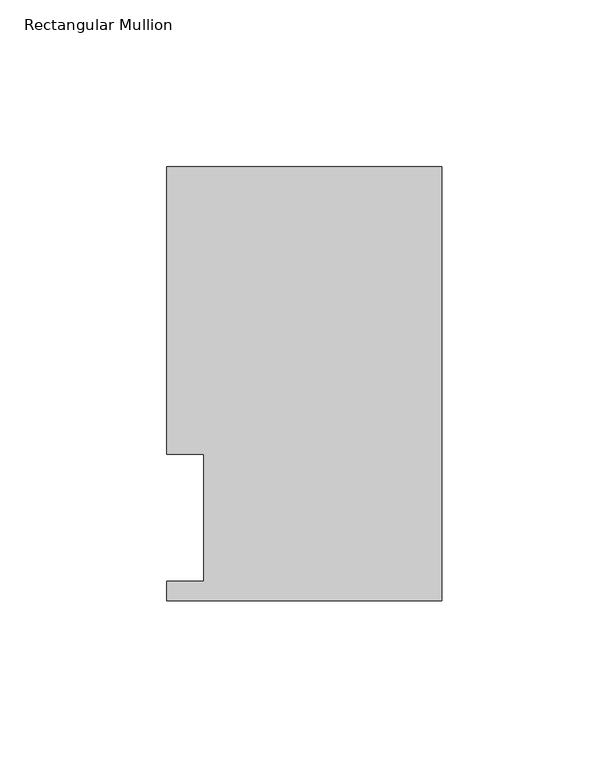
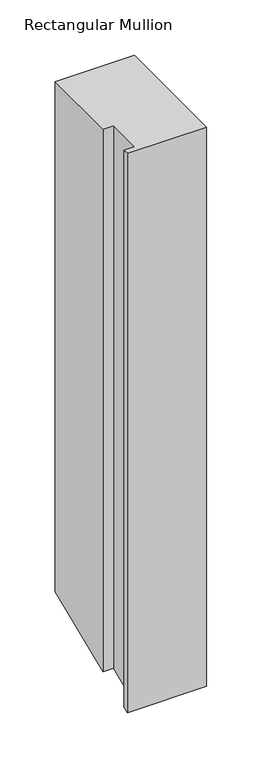
"""IFC4 building model written with IfcOpenShell, lengths in millimetres: member geometry, Rectangular Mullion."""

from ifc_helpers import new_model, si_unit, origin, place, context, project, spatial, faceted_brep, source, transform, mapped, element, save


def rectangular_mullion_ea5151d0(model_context):
    return source(origin(), model_context, "Body", "Brep", [
        faceted_brep([(-82.5504364, 130.6321003, 0.0), (-82.5504364, 44.45, 0.0), (-71.4454383, 44.45, 0.0), (-71.4454383, 6.3499003, 0.0), (-82.55, 6.3499003, 0.0), (-82.55, 0.4063003, 0.0), (0.0, 0.4063003, 0.0), (0.0, 130.6321003, 0.0), (-82.5504364, 130.6321003, -561.9927994), (-82.5504364, 44.45, -597.6905942), (-71.4454383, 44.45, -597.6905942), (-71.4454383, 6.3499003, -613.4721722), (-82.55, 6.3499003, -613.4721722), (-82.55, 0.4063003, -615.9340919), (0.0, 0.4063003, -615.9340919), (0.0, 130.6321003, -561.9927994)], [[[0, 1, 2, 3, 4, 5, 6, 7]], [[1, 0, 8, 9]], [[2, 1, 9, 10]], [[3, 2, 10, 11]], [[4, 3, 11, 12]], [[5, 4, 12, 13]], [[6, 5, 13, 14]], [[7, 6, 14, 15]], [[0, 7, 15, 8]], [[8, 15, 14, 13, 12, 11, 10, 9]]]),
    ])


if __name__ == "__main__":
    model = new_model("IFC4")
    model_context = context("Model", 3, world=origin())
    ifc_project = project(units=[si_unit("LENGTHUNIT", "METRE", prefix="MILLI")], contexts=[model_context])
    site = spatial("IfcSite", under=ifc_project)
    building = spatial("IfcBuilding", under=site)
    placement = place(None, origin())
    rectangular_mullion_shape = rectangular_mullion_ea5151d0(model_context)
    element("IfcMember", 1, ObjectType="Rectangular Mullion", at=placement, inside=building, context=model_context, shape_type="MappedRepresentation", body=[
        mapped(rectangular_mullion_shape, transform((0.0, 0.0, 0.0), x_axis=(1.0, 0.0, 0.0), y_axis=(0.0, 1.0, 0.0), z_axis=(0.0, 0.0, 1.0))),
    ])
    save(model, "model.ifc")
